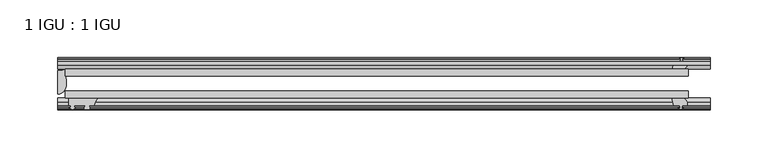
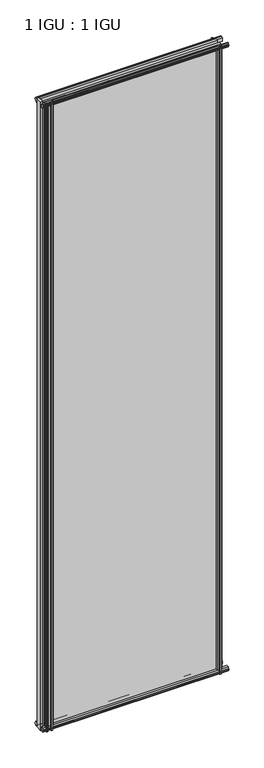
"""IFC4 building model written with IfcOpenShell, lengths in millimetres: plate geometry, 1 IGU : 1 IGU."""

from ifc_helpers import new_model, si_unit, point, frame, frame_2d, origin, place, context, project, spatial, polyline, circle_curve, ellipse_curve, trimmed, segment, composite_curve, outline, extrude, source, transform, mapped, element, save
from ifc_brep_helpers import plane_surface, cylinder_surface, revolved_surface, extruded_surface, advanced_brep


def plate_1_igu_1_igu_60525739(model_context):
    return source(origin(), model_context, "Body", "SolidModel", [
        extrude(outline(polyline([(-276.1995836, -38.6468937), (263.4995836, -38.6468937), (263.4995836, -44.9460938), (-276.1995836, -44.9460938), (-276.1995836, -38.6468937)])), frame((0.0, 0.0, -12.7), z_axis=(0.0, 0.0, 1.0), x_axis=(1.0, 0.0, 0.0)), (0.0, 0.0, 1.0), 2019.2872996),
        extrude(outline(polyline([(-276.1995836, -19.5460937), (263.4995836, -19.5460937), (263.4995836, -25.8960938), (-276.1995836, -25.8960938), (-276.1995836, -19.5460937)])), frame((0.0, 0.0, -12.7), z_axis=(0.0, 0.0, 1.0), x_axis=(1.0, 0.0, 0.0)), (0.0, 0.0, 1.0), 2019.2872996),
        advanced_brep(
        [(-282.5495836, -21.1706006, -12.7), (-276.2009717, -19.5461438, -12.7), (-276.2009717, -25.8549351, -12.7), (-275.0256204, -32.21431, -12.7), (-282.5495836, -41.5384043, -12.7), (-282.5495836, -21.1706006, 2006.5872996), (-282.5495836, -41.5384043, 2006.5872996), (-275.0256204, -32.21431, 2006.5872996), (-276.2009717, -25.8549351, 2006.5872996), (-276.2009717, -19.5461438, 2006.5872996)],
        [
            (0, 1, circle_curve(frame((-282.550153, -7.9505008, -12.7), z_axis=(0.0, 0.0, 1.0), x_axis=(1.0, 0.0, 0.0)), 13.2200998)),
            (1, 2),
            (2, 3, circle_curve(frame((-293.0879847, -32.2643264, -12.7), z_axis=(0.0, 0.0, -1.0), x_axis=(1.0, 0.0, 0.0)), 18.0624336)),
            (3, 4, ellipse_curve(frame((-282.5487506, -32.2460921, -12.7), z_axis=(0.0, 0.0, -1.0), x_axis=(0.0, -1.0, 0.0)), 9.2923123, 7.5231742)),
            (4, 0),
            (5, 6),
            (6, 7, ellipse_curve(frame((-282.5487506, -32.2460921, 2006.5872996), z_axis=(0.0, 0.0, 1.0), x_axis=(0.0, -1.0, 0.0)), 9.2923123, 7.5231742)),
            (7, 8, circle_curve(frame((-293.0879847, -32.2643264, 2006.5872996), z_axis=(0.0, 0.0, 1.0), x_axis=(1.0, 0.0, 0.0)), 18.0624336)),
            (8, 9),
            (9, 5, circle_curve(frame((-282.550153, -7.9505008, 2006.5872996), z_axis=(0.0, 0.0, -1.0), x_axis=(1.0, 0.0, 0.0)), 13.2200998)),
            (0, 5),
            (9, 1),
            (8, 2),
            (7, 3),
            (6, 4),
        ],
        [
            plane_surface(frame((-282.5495836, -13.1960937, -12.7), z_axis=(0.0, 0.0, -1.0), x_axis=(0.0, 1.0, 0.0))),
            plane_surface(frame((-282.5495836, -13.1960937, 2006.5872996), z_axis=(0.0, 0.0, 1.0), x_axis=(0.0, 1.0, 0.0))),
            revolved_surface(polyline([(-269.3300532, -7.9505008, 2006.5872996), (-269.3300532, -7.9505008, -12.7)]), (-282.550153, -7.9505008, -12.7), (0.0, 0.0, 1.0)),
            plane_surface(frame((-276.2009717, -19.5461438, -12.7), z_axis=(1.0, 0.0, 0.0), x_axis=(0.0, 0.0, 1.0))),
            cylinder_surface(frame((-293.0879847, -32.2643264, -12.7), z_axis=(0.0, 0.0, -1.0), x_axis=(1.0, 0.0, 0.0)), 18.0624336),
            extruded_surface(trimmed(ellipse_curve(frame((-282.5487506, -32.2460921, 2006.5872996), z_axis=(0.0, 0.0, -1.0), x_axis=(0.0, -1.0, 0.0)), 9.2923123, 7.5231742), [point((-275.0256204, -32.21431, 2006.5872996))], [point((-282.5495836, -41.5384043, 2006.5872996))], True, "CARTESIAN"), (0.0, 0.0, -2019.2872996), 2019.2872996),
            plane_surface(frame((-282.5495836, -41.5384043, -12.7), z_axis=(-1.0, 0.0, 0.0), x_axis=(0.0, 0.0, 1.0))),
        ],
        [
            (0, [[1, 2, 3, 4, 5]]),
            (1, [[6, 7, 8, 9, 10]]),
            (2, [[-1, 11, -10, 12]]),
            (3, [[-2, -12, -9, 13]]),
            (4, [[-3, -13, -8, 14]]),
            (5, [[-4, -14, -7, 15]]),
            (6, [[-5, -15, -6, -11]]),
        ],
    ),
        extrude(outline(polyline([(-44.9460937, 1.7177181), (-44.9460937, -9.1036578), (-48.3496937, -11.938), (-51.2960937, -11.938), (-51.2960937, -7.493), (-53.6762907, -7.112), (-53.2163575, -8.5275291), (-54.0175717, -8.5275291), (-54.7250937, -6.35), (-54.0175717, -4.1724709), (-53.2163575, -4.1724709), (-53.6762907, -5.588), (-51.2960937, -5.207), (-51.2960937, 0.0), (-44.9460937, 1.7177181)])), frame((-282.5495836, 0.0, 0.0), z_axis=(1.0, 0.0, 0.0), x_axis=(0.0, 1.0, 0.0)), (0.0, 0.0, 1.0), 565.0991671),
        extrude(outline(polyline([(-13.1960937, -12.4587), (-16.1424937, -12.4587), (-19.5460937, -9.6243578), (-19.5460937, 1.1970181), (-13.1960937, -0.5207), (-13.1960937, -5.7277), (-10.8158968, -6.1087), (-11.27583, -4.6931709), (-10.4746158, -4.6931709), (-9.7670937, -6.8707), (-10.4746158, -9.0482291), (-11.27583, -9.0482291), (-10.8158968, -7.6327), (-13.1960937, -8.0137), (-13.1960937, -12.4587)])), frame((-282.5495836, 0.0, 0.0), z_axis=(1.0, 0.0, 0.0), x_axis=(0.0, 1.0, 0.0)), (0.0, 0.0, 1.0), 565.0991671),
        extrude(outline(polyline([(-51.2960937, 2005.8252996), (-48.3496937, 2005.8252996), (-44.9460937, 2002.9909574), (-44.9460937, 1992.1695815), (-51.2960937, 1993.8872996), (-51.2960937, 1999.0942996), (-53.6762907, 1999.4752996), (-53.2163575, 1998.0597705), (-54.0175717, 1998.0597705), (-54.7250937, 2000.2372996), (-54.0175717, 2002.4148286), (-53.2163575, 2002.4148286), (-53.6762907, 2000.9992996), (-51.2960937, 2001.3802996), (-51.2960937, 2005.8252996)])), frame((-282.5495836, 0.0, 0.0), z_axis=(1.0, 0.0, 0.0), x_axis=(0.0, 1.0, 0.0)), (0.0, 0.0, 1.0), 565.0991671),
        extrude(outline(polyline([(-19.5460937, 1992.6902815), (-19.5460937, 2003.5116574), (-16.1424937, 2006.3459996), (-13.1960937, 2006.3459996), (-13.1960937, 2001.9009996), (-10.8158968, 2001.5199996), (-11.27583, 2002.9355286), (-10.4746158, 2002.9355286), (-9.7670937, 2000.7579996), (-10.4746158, 1998.5804705), (-11.27583, 1998.5804705), (-10.8158968, 1999.9959996), (-13.1960937, 1999.6149996), (-13.1960937, 1994.4079996), (-19.5460937, 1992.6902815)])), frame((-282.5495836, 0.0, 0.0), z_axis=(1.0, 0.0, 0.0), x_axis=(0.0, 1.0, 0.0)), (0.0, 0.0, 1.0), 565.0991671),
        extrude(outline(composite_curve([segment(trimmed(circle_curve(frame_2d((-241.7836522, -51.9750196)), 9.0414579), [point((-247.4706692, -44.9460938))], [point((-250.7995837, -51.2960938))], True, "CARTESIAN"), True, "CONTINUOUS"), segment(polyline([(-250.7995837, -51.2960938), (-255.0413837, -51.2960938)]), True, "CONTINUOUS"), segment(trimmed(circle_curve(frame_2d((-255.0413837, -51.7532938)), 0.4572), [point((-255.0413837, -51.2960938))], [point((-255.3802016, -52.0602698))], True, "CARTESIAN"), True, "CONTINUOUS"), segment(trimmed(circle_curve(frame_2d((-257.1495837, -53.663367)), 2.3876), [point((-255.3802016, -52.0602698))], [point((-255.0789407, -54.8520938))], False, "CARTESIAN"), True, "CONTINUOUS"), segment(polyline([(-255.0789407, -54.8520938), (-259.2202267, -54.8520938)]), True, "CONTINUOUS"), segment(trimmed(circle_curve(frame_2d((-257.1495837, -53.663367)), 2.3876), [point((-259.2202267, -54.8520938))], [point((-258.9189659, -52.0602698))], False, "CARTESIAN"), True, "CONTINUOUS"), segment(trimmed(circle_curve(frame_2d((-259.2577837, -51.7532938)), 0.4572), [point((-258.9189659, -52.0602698))], [point((-259.2577837, -51.2960938))], True, "CARTESIAN"), True, "CONTINUOUS"), segment(polyline([(-259.2577837, -51.2960938), (-268.3255837, -51.2960938), (-268.3255837, -52.9470938), (-267.247953, -52.9470938)]), True, "CONTINUOUS"), segment(trimmed(circle_curve(frame_2d((-268.3255837, -52.9470938)), 1.0776307), [point((-267.247953, -52.9470938))], [point((-267.5635837, -53.7090938))], False, "CARTESIAN"), True, "CONTINUOUS"), segment(polyline([(-267.5635837, -53.7090938), (-269.3028761, -54.8194621)]), True, "CONTINUOUS"), segment(trimmed(circle_curve(frame_2d((-269.8495837, -53.9630938)), 1.016), [point((-269.3028761, -54.8194621))], [point((-270.3962913, -54.8194621))], False, "CARTESIAN"), True, "CONTINUOUS"), segment(polyline([(-270.3962913, -54.8194621), (-272.1355837, -53.7090938)]), True, "CONTINUOUS"), segment(trimmed(circle_curve(frame_2d((-271.3735837, -52.9470938)), 1.0776307), [point((-272.1355837, -53.7090938))], [point((-272.4512144, -52.9470938))], False, "CARTESIAN"), True, "CONTINUOUS"), segment(polyline([(-272.4512144, -52.9470938), (-271.3735837, -52.9470938), (-271.3735837, -51.2960938), (-273.0245837, -51.2960938), (-273.0245837, -44.9460938), (-247.4706692, -44.9460938)]), True, "CONTINUOUS")], self_intersect=False)), frame((0.0, 0.0, -12.7), z_axis=(0.0, 0.0, 1.0), x_axis=(1.0, 0.0, 0.0)), (0.0, 0.0, 1.0), 2019.2872997),
        extrude(outline(polyline([(249.6025655, -19.5460938), (251.3202836, -13.1960938), (256.5272836, -13.1960938), (256.9082836, -10.8158968), (255.4927545, -11.27583), (255.4927545, -10.4746158), (257.6702836, -9.7670938), (259.8478126, -10.4746158), (259.8478126, -11.27583), (258.4322836, -10.8158968), (258.8132836, -13.1960938), (263.2582836, -13.1960938), (263.2582836, -16.1424938), (260.4239414, -19.5460938), (249.6025655, -19.5460938)])), frame((0.0, 0.0, -12.7), z_axis=(0.0, 0.0, 1.0), x_axis=(1.0, 0.0, 0.0)), (0.0, 0.0, 1.0), 2019.2872997),
        extrude(outline(polyline([(249.0818655, -44.9460938), (259.9032414, -44.9460938), (262.7375836, -48.3496938), (262.7375836, -51.2960938), (258.2925836, -51.2960938), (257.9115836, -53.6762907), (259.3271126, -53.2163575), (259.3271126, -54.0175717), (257.1495836, -54.7250938), (254.9720545, -54.0175717), (254.9720545, -53.2163575), (256.3875836, -53.6762907), (256.0065836, -51.2960938), (250.7995836, -51.2960938), (249.0818655, -44.9460938)])), frame((0.0, 0.0, -12.7), z_axis=(0.0, 0.0, 1.0), x_axis=(1.0, 0.0, 0.0)), (0.0, 0.0, 1.0), 2019.2872997),
    ])


if __name__ == "__main__":
    model = new_model("IFC4")
    model_context = context("Model", 3, world=origin())
    ifc_project = project(units=[si_unit("LENGTHUNIT", "METRE", prefix="MILLI")], contexts=[model_context])
    site = spatial("IfcSite", under=ifc_project)
    building = spatial("IfcBuilding", under=site)
    placement = place(None, origin())
    plate_1_igu_1_igu_shape = plate_1_igu_1_igu_60525739(model_context)
    element("IfcPlate", 1, ObjectType="1 IGU : 1 IGU", at=placement, inside=building, context=model_context, shape_type="MappedRepresentation", body=[
        mapped(plate_1_igu_1_igu_shape, transform((0.0, 0.0, 0.0), x_axis=(1.0, 0.0, 0.0), y_axis=(0.0, 1.0, 0.0), z_axis=(0.0, 0.0, 1.0))),
    ])
    save(model, "model.ifc")
